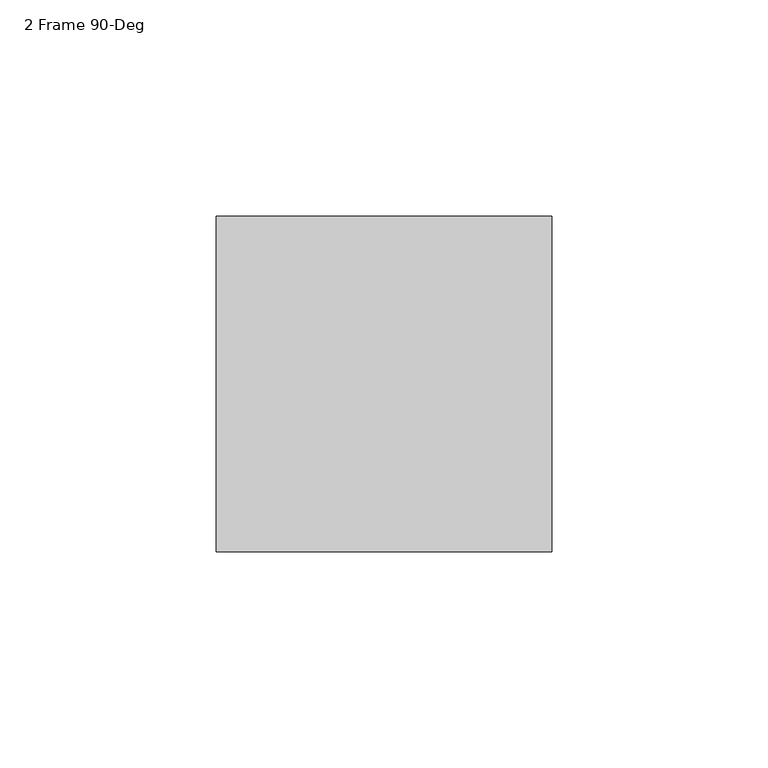
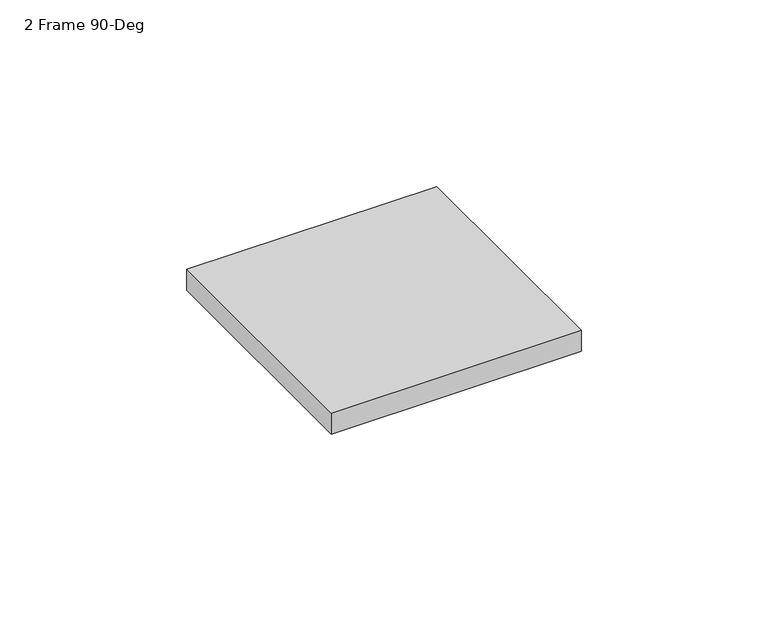
"""IFC4 building model written with IfcOpenShell, lengths in millimetres: furniture geometry, 2 Frame 90-Deg."""

import ifcopenshell
import ifcopenshell.guid

model = None  # the IFC model being written
_history = None  # IfcOwnerHistory: only IFC2X3 demands one
_inside = {}  # id of a spatial element -> (the spatial element, [elements in it])
_under = {}  # id of a project, library or spatial element -> (it, [spatial elements below it])
_declared = {}  # id of a project -> (the project, [libraries it declares])
_typed = {}  # id of a type object -> (the type object, [elements of that type])
_made_of = {}  # id of a material, layer set ... -> (it, [elements and type objects made of it])


def new_model(schema):
    """Start an empty IFC model of exactly this schema.

    Asked for "IFC4X3", IfcOpenShell would pick the latest addendum, in which some entities
    have other attributes; the version numbers below select the first issue.
    IFC2X3 requires an IfcOwnerHistory on every rooted entity: one is made here for all.
    """
    global model, _history
    if schema == "IFC4X3":
        model = ifcopenshell.file(schema_version=(4, 3, 0, 0))
    else:
        model = ifcopenshell.file(schema=schema)
    _inside.clear()
    _under.clear()
    _declared.clear()
    _typed.clear()
    _made_of.clear()
    _history = None
    if model.schema == "IFC2X3":
        org = make("IfcOrganization", Name="unknown")
        user = make(
            "IfcPersonAndOrganization",
            ThePerson=make("IfcPerson", FamilyName="unknown"),
            TheOrganization=org,
        )
        app = make(
            "IfcApplication",
            ApplicationDeveloper=org,
            Version="unknown",
            ApplicationFullName="unknown",
            ApplicationIdentifier="unknown",
        )
        _history = make(
            "IfcOwnerHistory",
            OwningUser=user,
            OwningApplication=app,
            ChangeAction="ADDED",
            CreationDate=0,
        )
    return model


def make(cls, **values):
    """One entity of the class cls with the attributes given. An attribute that is None is left unset."""
    return model.create_entity(
        cls, **{name: value for name, value in values.items() if value is not None}
    )


def rooted(cls, **values):
    """An entity with a GlobalId (a new one), such as an element, a storey or a relation."""
    return make(cls, GlobalId=ifcopenshell.guid.new(), OwnerHistory=_history, **values)


def si_unit(unit_type, name, prefix=None):
    """IfcSIUnit, for example si_unit("LENGTHUNIT", "METRE", prefix="MILLI")."""
    return make("IfcSIUnit", UnitType=unit_type, Prefix=prefix, Name=name)


def assignment(units):
    """IfcUnitAssignment: the units of a project."""
    return None if units is None else make("IfcUnitAssignment", Units=units)


def point(xyz):
    """IfcCartesianPoint."""
    return None if xyz is None else make("IfcCartesianPoint", Coordinates=xyz)


def direction(xyz):
    """IfcDirection."""
    return None if xyz is None else make("IfcDirection", DirectionRatios=xyz)


def frame(location, z_axis=None, x_axis=None):
    """IfcAxis2Placement3D, a coordinate frame: its origin and axes. An axis left out is left unset."""
    return make(
        "IfcAxis2Placement3D",
        Location=point(location),
        Axis=direction(z_axis),
        RefDirection=direction(x_axis),
    )


def origin():
    """The frame at (0, 0, 0) with its axes left unset."""
    return frame((0.0, 0.0, 0.0))


def place(relative_to, where):
    """IfcLocalPlacement: puts the frame where relative to a parent placement (None: the world)."""
    return make(
        "IfcLocalPlacement", PlacementRelTo=relative_to, RelativePlacement=where
    )


def context(
    kind, dimensions, precision=None, world=None, true_north=None, identifier=None
):
    """IfcGeometricRepresentationContext, for example the 3D "Model" context."""
    return make(
        "IfcGeometricRepresentationContext",
        ContextIdentifier=identifier,
        ContextType=kind,
        CoordinateSpaceDimension=dimensions,
        Precision=precision,
        WorldCoordinateSystem=world,
        TrueNorth=true_north,
    )


def project(units=None, contexts=None):
    """IfcProject with its units and contexts."""
    return rooted(
        "IfcProject",
        Name="project",
        RepresentationContexts=contexts,
        UnitsInContext=assignment(units),
    )


def spatial(cls, under=None, at=None, **own):
    """A site, building, storey or space (cls), placed at a placement, below another one or the project."""
    s = rooted(cls, ObjectPlacement=at, **own)
    if under is not None:
        _under.setdefault(under.id(), (under, []))[1].append(s)
    return s


def polyline(points):
    """IfcPolyline through the points."""
    return make("IfcPolyline", Points=[point(p) for p in points])


def outline(outer, holes=None, kind="AREA"):
    """IfcArbitraryClosedProfileDef: a profile drawn as a closed curve; with holes, ...WithVoids."""
    if holes is None:
        return make("IfcArbitraryClosedProfileDef", ProfileType=kind, OuterCurve=outer)
    return make(
        "IfcArbitraryProfileDefWithVoids",
        ProfileType=kind,
        OuterCurve=outer,
        InnerCurves=holes,
    )


def extrude(swept, where, along, depth):
    """IfcExtrudedAreaSolid: the profile swept, set in the frame where, extruded along a direction by depth."""
    return make(
        "IfcExtrudedAreaSolid",
        SweptArea=swept,
        Position=where,
        ExtrudedDirection=direction(along),
        Depth=depth,
    )


def shape(context_of_items, identifier, shape_type, items):
    """IfcShapeRepresentation: the items that make up one representation, for example the "Body"."""
    return make(
        "IfcShapeRepresentation",
        ContextOfItems=context_of_items,
        RepresentationIdentifier=identifier,
        RepresentationType=shape_type,
        Items=items,
    )


def source(mapping_origin, context_of_items, identifier, shape_type, items):
    """IfcRepresentationMap: a shape defined once, which mapped items show again and again."""
    return make(
        "IfcRepresentationMap",
        MappingOrigin=mapping_origin,
        MappedRepresentation=shape(context_of_items, identifier, shape_type, items),
    )


def transform(
    local_origin,
    x_axis=None,
    y_axis=None,
    z_axis=None,
    scale=None,
    scale2=None,
    scale3=None,
    uniform=True,
):
    """IfcCartesianTransformationOperator3D, or its non-uniform kind. x_axis, y_axis, z_axis: its Axis1, 2, 3."""
    if uniform:
        return make(
            "IfcCartesianTransformationOperator3D",
            Axis1=direction(x_axis),
            Axis2=direction(y_axis),
            LocalOrigin=point(local_origin),
            Scale=scale,
            Axis3=direction(z_axis),
        )
    return make(
        "IfcCartesianTransformationOperator3DnonUniform",
        Axis1=direction(x_axis),
        Axis2=direction(y_axis),
        LocalOrigin=point(local_origin),
        Scale=scale,
        Axis3=direction(z_axis),
        Scale2=scale2,
        Scale3=scale3,
    )


def mapped(mapping_source, mapping_target):
    """IfcMappedItem: shows the shape of a source again, moved by a transform."""
    return make(
        "IfcMappedItem", MappingSource=mapping_source, MappingTarget=mapping_target
    )


def made_of(thing, what):
    """Note that an element or type object is made of a material, layer set ...; save() writes the relation."""
    if what is not None:
        _made_of.setdefault(what.id(), (what, []))[1].append(thing)
    return thing


def element(
    cls,
    number,
    at=None,
    inside=None,
    cuts=None,
    type_object=None,
    material=None,
    context=None,
    identifier="Body",
    shape_type=None,
    held_by="IfcProductDefinitionShape",
    body=None,
    shapes=None,
    **own,
):
    """One element of the class cls, such as IfcWall. Its Tag is "e" and its number.

    at: its placement. inside: the storey or other place that contains it. cuts: it is an
    opening in that element (IfcRelVoidsElement). A single representation is given by context,
    identifier, shape_type and body (its items); several are given by shapes. held_by: the class
    of the entity that holds the representations. save() writes the other relations.
    """
    e = rooted(cls, Tag="e%d" % number, ObjectPlacement=at, **own)
    if body is not None:
        shapes = [shape(context, identifier, shape_type, body)]
    if shapes is not None:
        e.Representation = make(held_by, Representations=shapes)
    if inside is not None:
        _inside.setdefault(inside.id(), (inside, []))[1].append(e)
    if cuts is not None:
        rooted(
            "IfcRelVoidsElement", RelatingBuildingElement=cuts, RelatedOpeningElement=e
        )
    if type_object is not None:
        _typed.setdefault(type_object.id(), (type_object, []))[1].append(e)
    return made_of(e, material)


def aggregate(whole, parts):
    """IfcRelAggregates: a whole, such as a stair, and the parts it consists of."""
    return rooted("IfcRelAggregates", RelatingObject=whole, RelatedObjects=parts)


def save(model, path):
    """Write the relations noted so far, then the file.

    IfcRelAggregates (storeys below a building ...), IfcRelContainedInSpatialStructure (elements
    in a storey), IfcRelDefinesByType, IfcRelAssociatesMaterial and IfcRelDeclares: one each for
    every whole, place, type object, material and project.
    """
    for whole, parts in _under.values():
        aggregate(whole, parts)
    for where, things in _inside.values():
        rooted(
            "IfcRelContainedInSpatialStructure",
            RelatedElements=things,
            RelatingStructure=where,
        )
    for kind, things in _typed.values():
        rooted("IfcRelDefinesByType", RelatedObjects=things, RelatingType=kind)
    for what, things in _made_of.values():
        rooted("IfcRelAssociatesMaterial", RelatedObjects=things, RelatingMaterial=what)
    for by, libraries in _declared.values():
        rooted("IfcRelDeclares", RelatingContext=by, RelatedDefinitions=libraries)
    model.write(path)


def furniture_2_frame_90_deg_a44d648c(model_context):
    return source(origin(), model_context, "Body", "SweptSolid", [
        extrude(outline(polyline([(-283.31795, 38.7477), (-283.31795, -38.7223), (-360.78795, -38.7223), (-360.78795, 38.7477), (-283.31795, 38.7477)])), frame((0.0, 0.0, 1429.766), z_axis=(0.0, 0.0, 1.0), x_axis=(1.0, 0.0, 0.0)), (0.0, 0.0, 1.0), 6.858),
    ])


if __name__ == "__main__":
    model = new_model("IFC4")
    model_context = context("Model", 3, world=origin())
    ifc_project = project(units=[si_unit("LENGTHUNIT", "METRE", prefix="MILLI")], contexts=[model_context])
    site = spatial("IfcSite", under=ifc_project)
    building = spatial("IfcBuilding", under=site)
    placement = place(None, origin())
    furniture_2_frame_90_deg_shape = furniture_2_frame_90_deg_a44d648c(model_context)
    element("IfcFurniture", 1, ObjectType="2 Frame 90-Deg", at=placement, inside=building, context=model_context, shape_type="MappedRepresentation", body=[
        mapped(furniture_2_frame_90_deg_shape, transform((0.0, 0.0, 0.0), x_axis=(1.0, 0.0, 0.0), y_axis=(0.0, 1.0, 0.0), z_axis=(0.0, 0.0, 1.0))),
    ])
    save(model, "model.ifc")
